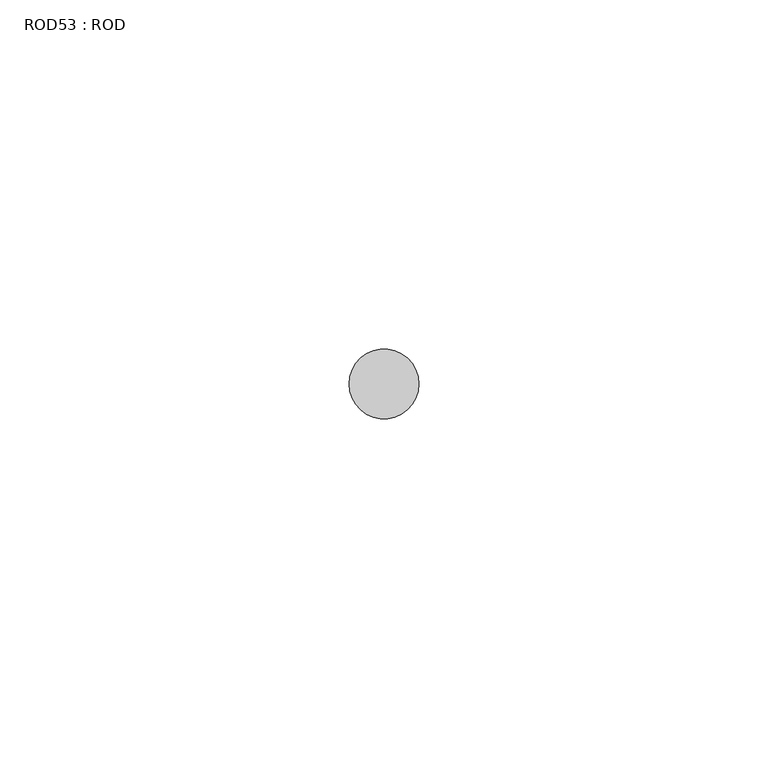
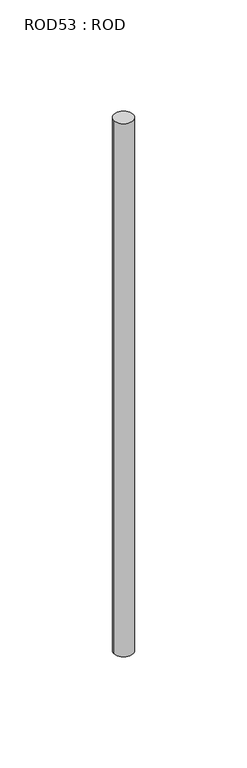
"""IFC4 building model written with IfcOpenShell, lengths in millimetres: proxy geometry, ROD53 : ROD."""

from ifc_helpers import new_model, si_unit, point, frame, frame_2d, origin, place, context, project, spatial, circle_curve, trimmed, segment, composite_curve, outline, extrude, source, transform, mapped, element, save


def rod53_rod_9c23e35c(model_context):
    return source(origin(), model_context, "Body", "SweptSolid", [
        extrude(outline(composite_curve([segment(trimmed(circle_curve(frame_2d((5732.7784384, -1114.6300853)), 5.0), [point((5727.7784384, -1114.6300853))], [point((5737.7784384, -1114.6300853))], False, "CARTESIAN"), True, "CONTINUOUS"), segment(trimmed(circle_curve(frame_2d((5732.7784384, -1114.6300853)), 5.0), [point((5737.7784384, -1114.6300853))], [point((5727.7784384, -1114.6300853))], False, "CARTESIAN"), True, "CONTINUOUS")], self_intersect=False)), frame((0.0, 0.0, -208.6608845), z_axis=(0.0, 0.0, 1.0), x_axis=(1.0, 0.0, 0.0)), (0.0, 0.0, 1.0), 298.9028972),
    ])


if __name__ == "__main__":
    model = new_model("IFC4")
    model_context = context("Model", 3, world=origin())
    ifc_project = project(units=[si_unit("LENGTHUNIT", "METRE", prefix="MILLI")], contexts=[model_context])
    site = spatial("IfcSite", under=ifc_project)
    building = spatial("IfcBuilding", under=site)
    placement = place(None, origin())
    rod53_rod_shape = rod53_rod_9c23e35c(model_context)
    element("IfcBuildingElementProxy", 1, Name="ROD53 : ROD", ObjectType="ROD53 : ROD", at=placement, inside=building, context=model_context, shape_type="MappedRepresentation", body=[
        mapped(rod53_rod_shape, transform((0.0, 0.0, 0.0), x_axis=(1.0, 0.0, 0.0), y_axis=(0.0, 1.0, 0.0), z_axis=(0.0, 0.0, 1.0))),
    ])
    save(model, "model.ifc")
